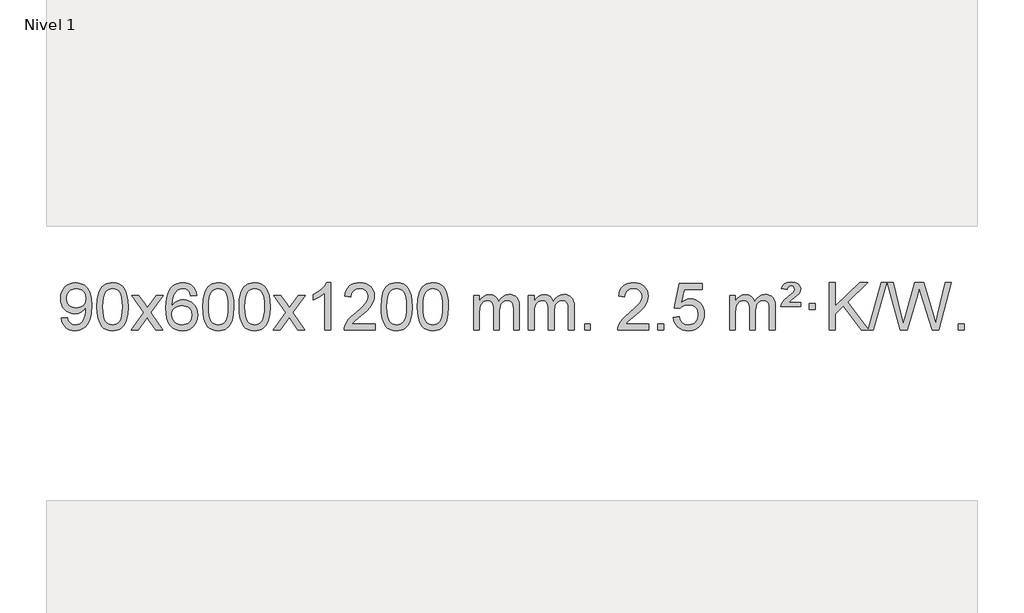
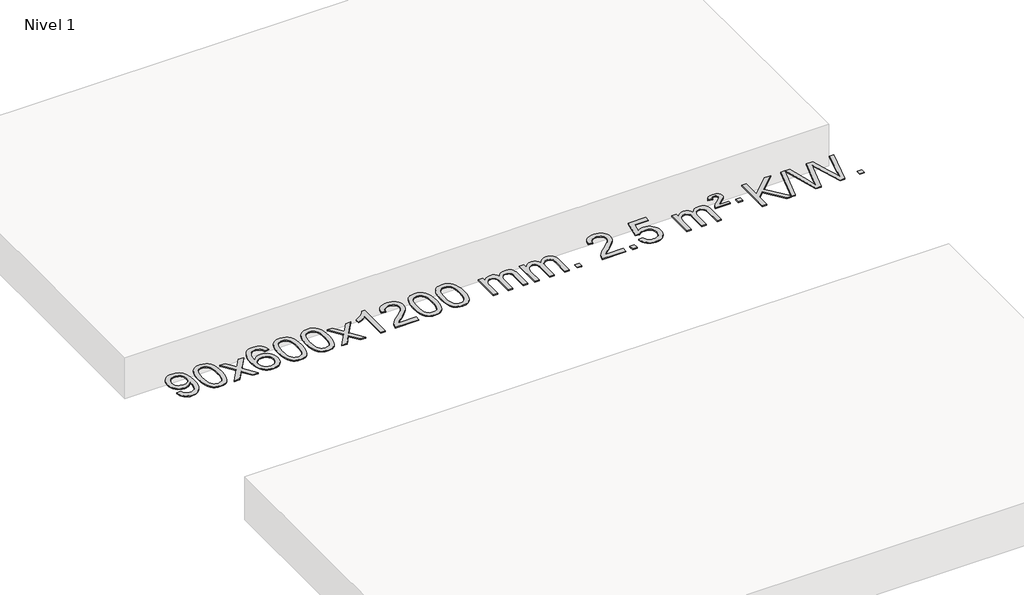
# One storey, part 9 of 10: 1 proxy.
"""IFC4 building model written with IfcOpenShell, lengths in millimetres."""

from ifc_helpers import new_model, si_unit, origin, origin_with_axes, place, context, project, spatial, polyline, outline, extrude, element, save

model = new_model("IFC4")

# Units and contexts
model_context = context("Model", 3, world=origin())
ifc_project = project(units=[si_unit("LENGTHUNIT", "METRE", prefix="MILLI")], contexts=[model_context])

# Site, building, storey
site = spatial("IfcSite", under=ifc_project)
building = spatial("IfcBuilding", under=site)
storey = spatial("IfcBuildingStorey", under=building, Name="Nivel 1", Elevation=0.0)

# Proxy
placement = place(None, origin())
element("IfcBuildingElementProxy", 1, Name="Texto de modelo 1", ObjectType="Texto de modelo 1", at=placement, inside=storey, context=model_context, shape_type="SweptSolid", body=[
    extrude(outline(polyline([(-19532.1075308, -6006.6050657), (-19481.8793757, -6000.3265463), (-19473.2954625, -6028.8374009), (-19459.3159467, -6048.2493075), (-19440.2841848, -6059.396132), (-19416.5435333, -6063.1117401), (-19395.2431658, -6060.7205071), (-19375.8803101, -6053.5468082), (-19359.7916042, -6042.3754583), (-19348.313686, -6027.9912723), (-19331.8816235, -5984.3359422), (-19326.43697, -5955.9354522), (-19324.6220855, -5926.0634342), (-19324.9163911, -5916.2532476), (-19342.3172095, -5937.4923015), (-19365.089105, -5954.3167714), (-19391.5888713, -5965.2796549), (-19420.1733024, -5968.9339493), (-19444.0335154, -5966.7021319), (-19465.9746108, -5960.0066796), (-19485.9965884, -5948.8475924), (-19504.0994482, -5933.2248703), (-19519.0998366, -5913.9539852), (-19529.8143997, -5891.8504086), (-19536.2431375, -5866.9141407), (-19538.3860502, -5839.1451814), (-19536.1389043, -5810.4503858), (-19529.3974667, -5784.6986462), (-19518.1617375, -5761.8899625), (-19502.4317165, -5742.0243347), (-19483.3171812, -5725.9294974), (-19461.9279088, -5714.4331851), (-19438.2638995, -5707.5353977), (-19412.3251531, -5705.2361352), (-19374.8625033, -5710.484585), (-19340.7598423, -5726.2299344), (-19312.236725, -5751.6873685), (-19291.5127059, -5786.0720723), (-19278.8943535, -5833.6024261), (-19274.688236, -5898.49681), (-19278.8820908, -5967.3030058), (-19291.463655, -6020.4864796), (-19312.3225641, -6060.450727), (-19325.8146363, -6076.3769517), (-19341.3484535, -6089.5992438), (-19358.6113162, -6099.9857788), (-19377.2905245, -6107.4047323), (-19418.8979781, -6113.3398952), (-19441.4552758, -6111.58939), (-19461.8420697, -6106.3378745), (-19480.0583598, -6097.5853487), (-19496.1041462, -6085.3318126), (-19509.5747586, -6069.90836), (-19520.0655268, -6051.6460846), (-19527.5764509, -6030.5449865), (-19532.1075308, -6006.6050657)]), holes=[polyline([(-19324.9163911, -5837.9679591), (-19330.3365191, -5803.9266118), (-19337.1116792, -5789.8489941), (-19346.5969033, -5777.7334137), (-19358.3262076, -5767.9906722), (-19371.8336082, -5761.0315711), (-19404.1826983, -5755.4642903), (-19421.7919831, -5756.9634094), (-19437.7335363, -5761.4607668), (-19452.0073577, -5768.9563625), (-19464.6134474, -5779.4501964), (-19474.9141432, -5792.3291319), (-19482.2717832, -5806.9800323), (-19486.6863671, -5823.4028977), (-19488.1578951, -5841.5977281), (-19482.5906142, -5872.6347057), (-19475.6315131, -5885.7527646), (-19465.8887716, -5897.2705367), (-19453.7670599, -5906.6484619), (-19439.6710481, -5913.3469799), (-19405.5561244, -5918.7057943), (-19373.4645517, -5913.3469799), (-19347.6269729, -5897.2705367), (-19337.6910934, -5885.525904), (-19330.5940365, -5871.7272635), (-19324.9163911, -5837.9679591)])]), origin_with_axes(), (0.0, 0.0, 1.0), 10.0),
    extrude(outline(polyline([(-19230.7386003, -5909.3861171), (-19227.0475176, -5845.0680816), (-19215.9742696, -5793.7730687), (-19197.6292208, -5754.7162636), (-19185.7711578, -5739.4828833), (-19172.1227358, -5727.1128512), (-19156.6379694, -5717.5417879), (-19139.2708736, -5710.7053142), (-19098.8896932, -5705.2361352), (-19067.9385547, -5708.4734968), (-19040.2247777, -5718.1855814), (-19017.0482121, -5733.9922445), (-18999.7087073, -5755.5133412), (-18986.6121083, -5782.5649306), (-18976.1642597, -5814.9630716), (-18969.3216545, -5856.1045414), (-18967.0407862, -5909.3861171), (-18970.6950807, -5973.3362706), (-18981.6579641, -6024.5086561), (-18999.8926483, -6063.6022494), (-19011.7231202, -6078.881615), (-19025.3623451, -6091.3160264), (-19040.8655056, -6100.951469), (-19058.2877837, -6107.833928), (-19098.8896932, -6113.3398952), (-19126.5544193, -6110.9486622), (-19151.0798856, -6103.7749633), (-19172.4660923, -6091.8187985), (-19190.7130392, -6075.0801677), (-19208.2242222, -6044.8218736), (-19220.73221, -6007.1201004), (-19228.2370028, -5961.9748483), (-19230.7386003, -5909.3861171)]), holes=[polyline([(-19180.5104452, -5909.2880152), (-19179.0389173, -5952.9525423), (-19174.6243333, -5988.296805), (-19167.2666934, -6015.3208033), (-19156.9659976, -6034.024537), (-19144.5070606, -6046.7501884), (-19130.6746976, -6055.8399393), (-19115.4689085, -6061.2937899), (-19098.8896932, -6063.1117401), (-19082.310478, -6061.2876586), (-19067.1046889, -6055.8154139), (-19053.2723258, -6046.6950061), (-19040.8133889, -6033.9264352), (-19030.5126931, -6015.1920446), (-19023.1550532, -5988.1741777), (-19018.7404692, -5952.8728346), (-19017.2689412, -5909.2880152), (-19018.6914183, -5866.7792507), (-19022.9588494, -5832.0573217), (-19030.0712347, -5805.1222283), (-19040.028574, -5785.9739704), (-19052.2790445, -5772.6259854), (-19066.270823, -5763.0917103), (-19082.0039097, -5757.3711453), (-19099.4783044, -5755.4642903), (-19115.9716806, -5757.1442847), (-19130.9199523, -5762.1842681), (-19144.3231197, -5770.5842403), (-19156.1811826, -5782.3442014), (-19166.825235, -5803.1908478), (-19174.4281296, -5831.2970322), (-19178.9898663, -5866.6627547), (-19180.5104452, -5909.2880152)])]), origin_with_axes(), (0.0, 0.0, 1.0), 10.0),
    extrude(outline(polyline([(-18941.9267086, -6107.0613758), (-18834.6032679, -5958.7313553), (-18935.6481893, -5811.9709647), (-18875.2174402, -5811.9709647), (-18826.4608131, -5882.6043078), (-18803.7011803, -5915.958942), (-18783.9827054, -5888.6866235), (-18728.4570496, -5811.9709647), (-18668.0263005, -5811.9709647), (-18774.1725188, -5958.7313553), (-18671.9503751, -6107.0613758), (-18732.3811242, -6107.0613758), (-18793.8909938, -6017.8867802), (-18805.1727083, -6001.6018705), (-18881.4959596, -6107.0613758), (-18941.9267086, -6107.0613758)])), origin_with_axes(), (0.0, 0.0, 1.0), 10.0),
    extrude(outline(polyline([(-18383.1384834, -5811.9709647), (-18433.3666385, -5818.2494841), (-18441.4600424, -5793.3561358), (-18452.3984004, -5776.3599876), (-18475.1825586, -5760.6882146), (-18502.7246573, -5755.4642903), (-18526.0729013, -5758.5054481), (-18548.0477191, -5767.6289216), (-18566.9200655, -5786.8446245), (-18582.3343211, -5813.2953399), (-18592.7453815, -5850.7089388), (-18596.6081425, -5902.8132921), (-18576.4604719, -5879.3056326), (-18552.3151503, -5862.7386801), (-18525.5210783, -5852.9162308), (-18497.4271566, -5849.642081), (-18473.2940977, -5851.8800298), (-18451.0249743, -5858.5938763), (-18430.6197863, -5869.7836203), (-18412.0785337, -5885.4492619), (-18396.6704095, -5904.6588334), (-18385.6646065, -5926.4803671), (-18379.0611247, -5950.9138629), (-18376.859964, -5977.959321), (-18381.0047679, -6013.9259174), (-18393.4391793, -6047.2682889), (-18413.1331288, -6075.5461515), (-18439.0565467, -6096.3192215), (-18470.0322107, -6109.0847268), (-18504.8828984, -6113.3398952), (-18534.8254271, -6110.5194666), (-18561.8678194, -6102.0581807), (-18586.0100754, -6087.9560375), (-18607.2521949, -6068.2130371), (-18624.5702398, -6041.9953136), (-18636.9402719, -6008.4690011), (-18644.3622912, -5967.6340996), (-18646.8362976, -5919.4906092), (-18644.0894453, -5865.5161891), (-18635.8488887, -5819.451232), (-18622.1146275, -5781.2957377), (-18602.8866619, -5751.0497063), (-18582.0461469, -5731.006269), (-18557.8824311, -5716.689528), (-18530.3955147, -5708.0994834), (-18499.5853976, -5705.2361352), (-18476.4517515, -5707.0081001), (-18455.5131346, -5712.323995), (-18436.769547, -5721.1838197), (-18420.2209885, -5733.5875743), (-18406.3150491, -5749.1183259), (-18395.4993185, -5767.3591415), (-18387.7737966, -5788.3100211), (-18383.1384834, -5811.9709647)]), holes=[polyline([(-18596.6081425, -5977.174506), (-18593.7018747, -5999.4313667), (-18584.9830715, -6020.6826833), (-18571.445014, -6038.9541558), (-18554.0809839, -6052.271484), (-18533.1239729, -6060.4016761), (-18508.806973, -6063.1117401), (-18475.6608052, -6057.4954083), (-18461.7456687, -6050.4749936), (-18449.6024972, -6040.6464129), (-18439.7524568, -6028.4082052), (-18432.7167136, -6014.1589093), (-18427.0881191, -5979.6270527), (-18432.6431372, -5946.4808849), (-18439.5869099, -5932.860054), (-18449.3081916, -5921.2073918), (-18461.4881514, -5911.8723862), (-18475.807958, -5905.204525), (-18510.8671122, -5899.8702361), (-18543.964229, -5905.204525), (-18571.6412178, -5921.2073918), (-18582.5642473, -5932.7067699), (-18590.3664113, -5945.8677482), (-18595.0477097, -5960.690327), (-18596.6081425, -5977.174506)])]), origin_with_axes(), (0.0, 0.0, 1.0), 10.0),
    extrude(outline(polyline([(-18332.9103284, -5909.3861171), (-18329.2192457, -5845.0680816), (-18318.1459976, -5793.7730687), (-18299.8009488, -5754.7162636), (-18287.9428858, -5739.4828833), (-18274.2944638, -5727.1128512), (-18258.8096975, -5717.5417879), (-18241.4426016, -5710.7053142), (-18201.0614213, -5705.2361352), (-18170.1102828, -5708.4734968), (-18142.3965058, -5718.1855814), (-18119.2199401, -5733.9922445), (-18101.8804354, -5755.5133412), (-18088.7838364, -5782.5649306), (-18078.3359877, -5814.9630716), (-18071.4933826, -5856.1045414), (-18069.2125142, -5909.3861171), (-18072.8668087, -5973.3362706), (-18083.8296922, -6024.5086561), (-18102.0643764, -6063.6022494), (-18113.8948482, -6078.881615), (-18127.5340732, -6091.3160264), (-18143.0372336, -6100.951469), (-18160.4595117, -6107.833928), (-18201.0614213, -6113.3398952), (-18228.7261473, -6110.9486622), (-18253.2516137, -6103.7749633), (-18274.6378203, -6091.8187985), (-18292.8847673, -6075.0801677), (-18310.3959503, -6044.8218736), (-18322.9039381, -6007.1201004), (-18330.4087308, -5961.9748483), (-18332.9103284, -5909.3861171)]), holes=[polyline([(-18282.6821733, -5909.2880152), (-18281.2106453, -5952.9525423), (-18276.7960614, -5988.296805), (-18269.4384215, -6015.3208033), (-18259.1377256, -6034.024537), (-18246.6787887, -6046.7501884), (-18232.8464257, -6055.8399393), (-18217.6406365, -6061.2937899), (-18201.0614213, -6063.1117401), (-18184.482206, -6061.2876586), (-18169.2764169, -6055.8154139), (-18155.4440539, -6046.6950061), (-18142.985117, -6033.9264352), (-18132.6844211, -6015.1920446), (-18125.3267812, -5988.1741777), (-18120.9121973, -5952.8728346), (-18119.4406693, -5909.2880152), (-18120.8631463, -5866.7792507), (-18125.1305775, -5832.0573217), (-18132.2429627, -5805.1222283), (-18142.2003021, -5785.9739704), (-18154.4507725, -5772.6259854), (-18168.442551, -5763.0917103), (-18184.1756377, -5757.3711453), (-18201.6500325, -5755.4642903), (-18218.1434086, -5757.1442847), (-18233.0916803, -5762.1842681), (-18246.4948477, -5770.5842403), (-18258.3529107, -5782.3442014), (-18268.9969631, -5803.1908478), (-18276.5998576, -5831.2970322), (-18281.1615944, -5866.6627547), (-18282.6821733, -5909.2880152)])]), origin_with_axes(), (0.0, 0.0, 1.0), 10.0),
    extrude(outline(polyline([(-18025.2628785, -5909.3861171), (-18021.5717958, -5845.0680816), (-18010.4985478, -5793.7730687), (-17992.153499, -5754.7162636), (-17980.295436, -5739.4828833), (-17966.647014, -5727.1128512), (-17951.1622476, -5717.5417879), (-17933.7951518, -5710.7053142), (-17893.4139715, -5705.2361352), (-17862.4628329, -5708.4734968), (-17834.749056, -5718.1855814), (-17811.5724903, -5733.9922445), (-17794.2329856, -5755.5133412), (-17781.1363865, -5782.5649306), (-17770.6885379, -5814.9630716), (-17763.8459327, -5856.1045414), (-17761.5650644, -5909.3861171), (-17765.2193589, -5973.3362706), (-17776.1822423, -6024.5086561), (-17794.4169265, -6063.6022494), (-17806.2473984, -6078.881615), (-17819.8866233, -6091.3160264), (-17835.3897838, -6100.951469), (-17852.8120619, -6107.833928), (-17893.4139715, -6113.3398952), (-17921.0786975, -6110.9486622), (-17945.6041638, -6103.7749633), (-17966.9903705, -6091.8187985), (-17985.2373174, -6075.0801677), (-18002.7485004, -6044.8218736), (-18015.2564883, -6007.1201004), (-18022.761281, -5961.9748483), (-18025.2628785, -5909.3861171)]), holes=[polyline([(-17975.0347234, -5909.2880152), (-17973.5631955, -5952.9525423), (-17969.1486115, -5988.296805), (-17961.7909716, -6015.3208033), (-17951.4902758, -6034.024537), (-17939.0313389, -6046.7501884), (-17925.1989758, -6055.8399393), (-17909.9931867, -6061.2937899), (-17893.4139715, -6063.1117401), (-17876.8347562, -6061.2876586), (-17861.6289671, -6055.8154139), (-17847.796604, -6046.6950061), (-17835.3376671, -6033.9264352), (-17825.0369713, -6015.1920446), (-17817.6793314, -5988.1741777), (-17813.2647474, -5952.8728346), (-17811.7932195, -5909.2880152), (-17813.2156965, -5866.7792507), (-17817.4831276, -5832.0573217), (-17824.5955129, -5805.1222283), (-17834.5528522, -5785.9739704), (-17846.8033227, -5772.6259854), (-17860.7951012, -5763.0917103), (-17876.5281879, -5757.3711453), (-17894.0025826, -5755.4642903), (-17910.4959588, -5757.1442847), (-17925.4442305, -5762.1842681), (-17938.8473979, -5770.5842403), (-17950.7054608, -5782.3442014), (-17961.3495132, -5803.1908478), (-17968.9524078, -5831.2970322), (-17973.5141445, -5866.6627547), (-17975.0347234, -5909.2880152)])]), origin_with_axes(), (0.0, 0.0, 1.0), 10.0),
    extrude(outline(polyline([(-17736.4509868, -6107.0613758), (-17629.1275461, -5958.7313553), (-17730.1724675, -5811.9709647), (-17669.7417184, -5811.9709647), (-17620.9850913, -5882.6043078), (-17598.2254585, -5915.958942), (-17578.5069836, -5888.6866235), (-17522.9813278, -5811.9709647), (-17462.5505787, -5811.9709647), (-17568.696797, -5958.7313553), (-17466.4746533, -6107.0613758), (-17526.9054024, -6107.0613758), (-17588.415272, -6017.8867802), (-17599.6969865, -6001.6018705), (-17676.0202378, -6107.0613758), (-17736.4509868, -6107.0613758)])), origin_with_axes(), (0.0, 0.0, 1.0), 10.0),
    extrude(outline(polyline([(-17246.7264749, -6107.0613758), (-17296.9546299, -6107.0613758), (-17296.9546299, -5793.9202215), (-17317.9239037, -5810.8795815), (-17344.5340346, -5827.814416), (-17397.4109401, -5853.1737482), (-17397.4109401, -5805.6924454), (-17357.9617275, -5784.2326623), (-17323.7854901, -5758.7016518), (-17296.8442653, -5731.5519606), (-17279.1000904, -5705.2361352), (-17246.7264749, -5705.2361352), (-17246.7264749, -6107.0613758)])), origin_with_axes(), (0.0, 0.0, 1.0), 10.0),
    extrude(outline(polyline([(-16870.0153118, -6056.8332207), (-16870.0153118, -6107.0613758), (-17133.7131259, -6107.0613758), (-17132.60948, -6089.3785146), (-17128.3175233, -6072.4314173), (-17115.9321628, -6045.3675652), (-17097.8078432, -6019.1130535), (-17071.5901197, -5991.6322684), (-17034.9245475, -5960.8895964), (-16980.7232669, -5912.746106), (-16948.2024985, -5877.2087052), (-16931.9421143, -5848.3667568), (-16926.5219863, -5820.3096233), (-16931.635546, -5795.1587576), (-16946.9762252, -5774.2507975), (-16970.5574611, -5760.1609171), (-17000.3926909, -5755.4642903), (-17031.7239741, -5760.0505525), (-17056.0654995, -5773.8093391), (-17071.7740607, -5795.6615296), (-17077.2064515, -5824.5280035), (-17127.4346066, -5818.2494841), (-17123.1150588, -5792.3199348), (-17115.2577125, -5769.6645353), (-17103.8625677, -5750.2832855), (-17088.9296244, -5734.1761855), (-17070.8022391, -5721.5149135), (-17049.8237683, -5712.4711478), (-17025.9942121, -5707.0448883), (-16999.3135704, -5705.2361352), (-16972.3938054, -5707.2472234), (-16948.4354904, -5713.2804882), (-16927.4386256, -5723.3359294), (-16909.4032108, -5737.413547), (-16894.9178572, -5754.4710089), (-16884.5711761, -5773.4659826), (-16878.3631674, -5794.3984681), (-16876.2938312, -5817.2684655), (-16878.5256486, -5841.2911598), (-16885.2211009, -5864.8969211), (-16897.1036894, -5888.9073527), (-16914.8969152, -5914.1440575), (-16943.260617, -5944.2735929), (-16986.8546335, -5982.9625161), (-17044.6366322, -6031.2776848), (-17067.2981631, -6056.8332207), (-16870.0153118, -6056.8332207)])), origin_with_axes(), (0.0, 0.0, 1.0), 10.0),
    extrude(outline(polyline([(-16819.7871567, -5909.3861171), (-16816.096074, -5845.0680816), (-16805.022826, -5793.7730687), (-16786.6777772, -5754.7162636), (-16774.8197142, -5739.4828833), (-16761.1712922, -5727.1128512), (-16745.6865258, -5717.5417879), (-16728.31943, -5710.7053142), (-16687.9382497, -5705.2361352), (-16656.9871111, -5708.4734968), (-16629.2733342, -5718.1855814), (-16606.0967685, -5733.9922445), (-16588.7572638, -5755.5133412), (-16575.6606647, -5782.5649306), (-16565.2128161, -5814.9630716), (-16558.370211, -5856.1045414), (-16556.0893426, -5909.3861171), (-16559.7436371, -5973.3362706), (-16570.7065205, -6024.5086561), (-16588.9412048, -6063.6022494), (-16600.7716766, -6078.881615), (-16614.4109016, -6091.3160264), (-16629.914062, -6100.951469), (-16647.3363401, -6107.833928), (-16687.9382497, -6113.3398952), (-16715.6029757, -6110.9486622), (-16740.128442, -6103.7749633), (-16761.5146487, -6091.8187985), (-16779.7615957, -6075.0801677), (-16797.2727786, -6044.8218736), (-16809.7807665, -6007.1201004), (-16817.2855592, -5961.9748483), (-16819.7871567, -5909.3861171)]), holes=[polyline([(-16769.5590017, -5909.2880152), (-16768.0874737, -5952.9525423), (-16763.6728897, -5988.296805), (-16756.3152498, -6015.3208033), (-16746.014554, -6034.024537), (-16733.5556171, -6046.7501884), (-16719.723254, -6055.8399393), (-16704.5174649, -6061.2937899), (-16687.9382497, -6063.1117401), (-16671.3590344, -6061.2876586), (-16656.1532453, -6055.8154139), (-16642.3208823, -6046.6950061), (-16629.8619454, -6033.9264352), (-16619.5612495, -6015.1920446), (-16612.2036096, -5988.1741777), (-16607.7890256, -5952.8728346), (-16606.3174977, -5909.2880152), (-16607.7399747, -5866.7792507), (-16612.0074059, -5832.0573217), (-16619.1197911, -5805.1222283), (-16629.0771304, -5785.9739704), (-16641.3276009, -5772.6259854), (-16655.3193794, -5763.0917103), (-16671.0524661, -5757.3711453), (-16688.5268608, -5755.4642903), (-16705.020237, -5757.1442847), (-16719.9685087, -5762.1842681), (-16733.3716761, -5770.5842403), (-16745.229739, -5782.3442014), (-16755.8737914, -5803.1908478), (-16763.476686, -5831.2970322), (-16768.0384227, -5866.6627547), (-16769.5590017, -5909.2880152)])]), origin_with_axes(), (0.0, 0.0, 1.0), 10.0),
    extrude(outline(polyline([(-16512.1397069, -5909.3861171), (-16508.4486242, -5845.0680816), (-16497.3753762, -5793.7730687), (-16479.0303273, -5754.7162636), (-16467.1722644, -5739.4828833), (-16453.5238423, -5727.1128512), (-16438.039076, -5717.5417879), (-16420.6719802, -5710.7053142), (-16380.2907998, -5705.2361352), (-16349.3396613, -5708.4734968), (-16321.6258843, -5718.1855814), (-16298.4493186, -5733.9922445), (-16281.1098139, -5755.5133412), (-16268.0132149, -5782.5649306), (-16257.5653662, -5814.9630716), (-16250.7227611, -5856.1045414), (-16248.4418928, -5909.3861171), (-16252.0961872, -5973.3362706), (-16263.0590707, -6024.5086561), (-16281.2937549, -6063.6022494), (-16293.1242267, -6078.881615), (-16306.7634517, -6091.3160264), (-16322.2666121, -6100.951469), (-16339.6888903, -6107.833928), (-16380.2907998, -6113.3398952), (-16407.9555259, -6110.9486622), (-16432.4809922, -6103.7749633), (-16453.8671989, -6091.8187985), (-16472.1141458, -6075.0801677), (-16489.6253288, -6044.8218736), (-16502.1333166, -6007.1201004), (-16509.6381093, -5961.9748483), (-16512.1397069, -5909.3861171)]), holes=[polyline([(-16461.9115518, -5909.2880152), (-16460.4400238, -5952.9525423), (-16456.0254399, -5988.296805), (-16448.6678, -6015.3208033), (-16438.3671041, -6034.024537), (-16425.9081672, -6046.7501884), (-16412.0758042, -6055.8399393), (-16396.8700151, -6061.2937899), (-16380.2907998, -6063.1117401), (-16363.7115846, -6061.2876586), (-16348.5057954, -6055.8154139), (-16334.6734324, -6046.6950061), (-16322.2144955, -6033.9264352), (-16311.9137997, -6015.1920446), (-16304.5561597, -5988.1741777), (-16300.1415758, -5952.8728346), (-16298.6700478, -5909.2880152), (-16300.0925249, -5866.7792507), (-16304.359956, -5832.0573217), (-16311.4723413, -5805.1222283), (-16321.4296806, -5785.9739704), (-16333.680151, -5772.6259854), (-16347.6719296, -5763.0917103), (-16363.4050162, -5757.3711453), (-16380.879411, -5755.4642903), (-16397.3727871, -5757.1442847), (-16412.3210589, -5762.1842681), (-16425.7242262, -5770.5842403), (-16437.5822892, -5782.3442014), (-16448.2263416, -5803.1908478), (-16455.8292362, -5831.2970322), (-16460.3909729, -5866.6627547), (-16461.9115518, -5909.2880152)])]), origin_with_axes(), (0.0, 0.0, 1.0), 10.0),
    extrude(outline(polyline([(-16034.9722337, -6107.0613758), (-16034.9722337, -5811.9709647), (-15984.7440786, -5811.9709647), (-15984.7440786, -5860.5313881), (-15969.6363913, -5838.2254765), (-15950.212222, -5820.7510817), (-15927.1337582, -5809.4571044), (-15901.0631874, -5805.6924454), (-15873.1286813, -5809.5306808), (-15850.7369305, -5821.0453873), (-15834.0105625, -5839.4762752), (-15823.0722045, -5864.0630553), (-15804.7639438, -5838.5259134), (-15783.8805092, -5820.2850978), (-15760.4219007, -5809.3406085), (-15734.3881182, -5805.6924454), (-15714.2803014, -5807.2099586), (-15696.6311627, -5811.7624983), (-15681.440702, -5819.3500644), (-15668.7089193, -5829.972657), (-15658.644281, -5843.7529034), (-15651.4552537, -5860.813431), (-15647.1418373, -5881.1542396), (-15645.7040319, -5904.7753294), (-15645.7040319, -6107.0613758), (-15695.9321869, -6107.0613758), (-15695.9321869, -5926.3577398), (-15697.0971466, -5901.3049759), (-15700.5920255, -5884.4191923), (-15707.140325, -5872.8554349), (-15717.4655464, -5863.7687497), (-15730.7460864, -5857.8826377), (-15746.160342, -5855.9206004), (-15773.3713469, -5860.948321), (-15795.5546312, -5876.0314828), (-15804.1600042, -5887.6013716), (-15810.3066992, -5902.2001554), (-15815.2240552, -5940.4844084), (-15815.2240552, -6107.0613758), (-15865.4522103, -6107.0613758), (-15865.4522103, -5920.7659334), (-15868.3584781, -5892.3654434), (-15877.0772814, -5872.1074082), (-15892.4179606, -5859.9673024), (-15915.1898561, -5855.9206004), (-15934.540449, -5858.6184017), (-15952.370463, -5866.7118056), (-15967.0857428, -5880.0046084), (-15977.0921331, -5898.3006063), (-15982.8310922, -5923.6844639), (-15984.7440786, -5958.240846), (-15984.7440786, -6107.0613758), (-16034.9722337, -6107.0613758)])), origin_with_axes(), (0.0, 0.0, 1.0), 10.0),
    extrude(outline(polyline([(-15570.3617992, -6107.0613758), (-15570.3617992, -5811.9709647), (-15520.1336442, -5811.9709647), (-15520.1336442, -5860.5313881), (-15505.0259569, -5838.2254765), (-15485.6017876, -5820.7510817), (-15462.5233237, -5809.4571044), (-15436.452753, -5805.6924454), (-15408.5182468, -5809.5306808), (-15386.1264961, -5821.0453873), (-15369.400128, -5839.4762752), (-15358.46177, -5864.0630553), (-15340.1535094, -5838.5259134), (-15319.2700748, -5820.2850978), (-15295.8114662, -5809.3406085), (-15269.7776837, -5805.6924454), (-15249.669867, -5807.2099586), (-15232.0207283, -5811.7624983), (-15216.8302676, -5819.3500644), (-15204.0984848, -5829.972657), (-15194.0338466, -5843.7529034), (-15186.8448193, -5860.813431), (-15182.5314029, -5881.1542396), (-15181.0935974, -5904.7753294), (-15181.0935974, -6107.0613758), (-15231.3217525, -6107.0613758), (-15231.3217525, -5926.3577398), (-15232.4867121, -5901.3049759), (-15235.9815911, -5884.4191923), (-15242.5298906, -5872.8554349), (-15252.8551119, -5863.7687497), (-15266.135652, -5857.8826377), (-15281.5499076, -5855.9206004), (-15308.7609125, -5860.948321), (-15330.9441968, -5876.0314828), (-15339.5495698, -5887.6013716), (-15345.6962648, -5902.2001554), (-15350.6136208, -5940.4844084), (-15350.6136208, -6107.0613758), (-15400.8417759, -6107.0613758), (-15400.8417759, -5920.7659334), (-15403.7480436, -5892.3654434), (-15412.4668469, -5872.1074082), (-15427.8075261, -5859.9673024), (-15450.5794216, -5855.9206004), (-15469.9300146, -5858.6184017), (-15487.7600286, -5866.7118056), (-15502.4753084, -5880.0046084), (-15512.4816987, -5898.3006063), (-15518.2206578, -5923.6844639), (-15520.1336442, -5958.240846), (-15520.1336442, -6107.0613758), (-15570.3617992, -6107.0613758)])), origin_with_axes(), (0.0, 0.0, 1.0), 10.0),
    extrude(outline(polyline([(-15093.194326, -6107.0613758), (-15093.194326, -6056.8332207), (-15042.966171, -6056.8332207), (-15042.966171, -6107.0613758), (-15093.194326, -6107.0613758)])), origin_with_axes(), (0.0, 0.0, 1.0), 10.0),
    extrude(outline(polyline([(-14546.9631396, -6056.8332207), (-14546.9631396, -6107.0613758), (-14810.6609537, -6107.0613758), (-14809.5573077, -6089.3785146), (-14805.2653511, -6072.4314173), (-14792.8799906, -6045.3675652), (-14774.755671, -6019.1130535), (-14748.5379475, -5991.6322684), (-14711.8723753, -5960.8895964), (-14657.6710947, -5912.746106), (-14625.1503263, -5877.2087052), (-14608.8899421, -5848.3667568), (-14603.4698141, -5820.3096233), (-14608.5833738, -5795.1587576), (-14623.924053, -5774.2507975), (-14647.5052889, -5760.1609171), (-14677.3405187, -5755.4642903), (-14708.6718019, -5760.0505525), (-14733.0133273, -5773.8093391), (-14748.7218885, -5795.6615296), (-14754.1542793, -5824.5280035), (-14804.3824344, -5818.2494841), (-14800.0628866, -5792.3199348), (-14792.2055403, -5769.6645353), (-14780.8103955, -5750.2832855), (-14765.8774522, -5734.1761855), (-14747.7500669, -5721.5149135), (-14726.7715961, -5712.4711478), (-14702.9420399, -5707.0448883), (-14676.2613982, -5705.2361352), (-14649.3416332, -5707.2472234), (-14625.3833182, -5713.2804882), (-14604.3864534, -5723.3359294), (-14586.3510385, -5737.413547), (-14571.865685, -5754.4710089), (-14561.5190039, -5773.4659826), (-14555.3109952, -5794.3984681), (-14553.241659, -5817.2684655), (-14555.4734764, -5841.2911598), (-14562.1689287, -5864.8969211), (-14574.0515172, -5888.9073527), (-14591.844743, -5914.1440575), (-14620.2084448, -5944.2735929), (-14663.8024613, -5982.9625161), (-14721.58446, -6031.2776848), (-14744.2459909, -6056.8332207), (-14546.9631396, -6056.8332207)])), origin_with_axes(), (0.0, 0.0, 1.0), 10.0),
    extrude(outline(polyline([(-14471.620907, -6107.0613758), (-14471.620907, -6056.8332207), (-14421.3927519, -6056.8332207), (-14421.3927519, -6107.0613758), (-14471.620907, -6107.0613758)])), origin_with_axes(), (0.0, 0.0, 1.0), 10.0),
    extrude(outline(polyline([(-14339.7719999, -6000.3265463), (-14289.5438448, -5994.0480269), (-14280.3222695, -6024.2020878), (-14264.2335636, -6045.7967609), (-14241.3513035, -6058.7829953), (-14211.7490656, -6063.1117401), (-14192.6192018, -6061.6064896), (-14175.745681, -6057.0907381), (-14161.1285031, -6049.5644856), (-14148.767668, -6039.0277322), (-14138.9390874, -6026.0016438), (-14131.9186726, -6011.0073869), (-14126.3023408, -5975.1143669), (-14131.5630534, -5941.3182742), (-14138.138944, -5927.4000721), (-14147.345191, -5915.4684327), (-14159.212451, -5905.8973695), (-14173.771381, -5899.0608957), (-14210.9642507, -5893.5917167), (-14235.3303015, -5895.7744832), (-14255.0610392, -5902.3227828), (-14270.8186513, -5912.3536985), (-14283.2653254, -5924.9843137), (-14333.4934805, -5918.7057943), (-14289.5438448, -5711.5146546), (-14094.9097439, -5711.5146546), (-14094.9097439, -5761.7428097), (-14248.9296726, -5761.7428097), (-14270.4139811, -5872.4017138), (-14252.6882003, -5859.6975222), (-14234.5332238, -5850.6230997), (-14215.9490517, -5845.1784462), (-14196.9356839, -5843.3635617), (-14172.4745969, -5845.6137732), (-14150.0062041, -5852.3644078), (-14129.5305053, -5863.6154655), (-14111.0475008, -5879.3669463), (-14095.7466755, -5898.6562255), (-14084.8175145, -5920.5206788), (-14078.260018, -5944.960306), (-14076.0741858, -5971.9751072), (-14078.0423544, -5997.996627), (-14083.9468605, -6022.2032622), (-14093.7877038, -6044.595013), (-14107.5648846, -6065.1718793), (-14128.4360564, -6086.2453862), (-14152.7898445, -6101.2978912), (-14180.6262488, -6110.3293942), (-14211.9452693, -6113.3398952), (-14237.8656216, -6111.405449), (-14261.2782449, -6105.6021106), (-14282.1831392, -6095.9298798), (-14300.5803047, -6082.3887567), (-14315.8872614, -6065.6531916), (-14327.5215295, -6046.3976348), (-14335.483109, -6024.6220864), (-14339.7719999, -6000.3265463)])), origin_with_axes(), (0.0, 0.0, 1.0), 10.0),
    extrude(outline(polyline([(-13862.6045267, -6107.0613758), (-13862.6045267, -5811.9709647), (-13812.3763716, -5811.9709647), (-13812.3763716, -5860.5313881), (-13797.2686844, -5838.2254765), (-13777.844515, -5820.7510817), (-13754.7660512, -5809.4571044), (-13728.6954805, -5805.6924454), (-13700.7609743, -5809.5306808), (-13678.3692235, -5821.0453873), (-13661.6428555, -5839.4762752), (-13650.7044975, -5864.0630553), (-13632.3962368, -5838.5259134), (-13611.5128023, -5820.2850978), (-13588.0541937, -5809.3406085), (-13562.0204112, -5805.6924454), (-13541.9125945, -5807.2099586), (-13524.2634557, -5811.7624983), (-13509.072995, -5819.3500644), (-13496.3412123, -5829.972657), (-13486.276574, -5843.7529034), (-13479.0875467, -5860.813431), (-13474.7741303, -5881.1542396), (-13473.3363249, -5904.7753294), (-13473.3363249, -6107.0613758), (-13523.5644799, -6107.0613758), (-13523.5644799, -5926.3577398), (-13524.7294396, -5901.3049759), (-13528.2243185, -5884.4191923), (-13534.7726181, -5872.8554349), (-13545.0978394, -5863.7687497), (-13558.3783794, -5857.8826377), (-13573.792635, -5855.9206004), (-13601.0036399, -5860.948321), (-13623.1869242, -5876.0314828), (-13631.7922972, -5887.6013716), (-13637.9389922, -5902.2001554), (-13642.8563482, -5940.4844084), (-13642.8563482, -6107.0613758), (-13693.0845033, -6107.0613758), (-13693.0845033, -5920.7659334), (-13695.9907711, -5892.3654434), (-13704.7095744, -5872.1074082), (-13720.0502536, -5859.9673024), (-13742.8221491, -5855.9206004), (-13762.172742, -5858.6184017), (-13780.002756, -5866.7118056), (-13794.7180359, -5880.0046084), (-13804.7244261, -5898.3006063), (-13810.4633852, -5923.6844639), (-13812.3763716, -5958.240846), (-13812.3763716, -6107.0613758), (-13862.6045267, -6107.0613758)])), origin_with_axes(), (0.0, 0.0, 1.0), 10.0),
    extrude(outline(polyline([(-13429.3866892, -5906.1487555), (-13425.5607164, -5890.3298297), (-13417.2220579, -5874.461853), (-13395.7132239, -5849.32325), (-13363.7565412, -5821.5849475), (-13319.6107018, -5784.2081368), (-13312.4737911, -5772.6811677), (-13310.0948209, -5760.8598929), (-13311.9832818, -5748.768838), (-13317.6486645, -5738.9831769), (-13327.0173927, -5732.5084538), (-13340.0158898, -5730.3502127), (-13352.4503013, -5731.9688935), (-13361.3039946, -5736.8249359), (-13367.7296668, -5746.2917659), (-13372.8800147, -5761.7428097), (-13423.1081698, -5755.4642903), (-13412.2679137, -5730.2521109), (-13395.6396475, -5712.691877), (-13371.8744706, -5702.3911811), (-13339.6234824, -5698.9576158), (-13303.840827, -5703.0901569), (-13279.0946314, -5715.4877801), (-13264.6736572, -5733.8205662), (-13259.8666658, -5755.7585959), (-13263.9624187, -5778.6653814), (-13276.2496773, -5800.2968428), (-13296.7774926, -5820.1134196), (-13333.2468611, -5848.1705531), (-13358.851448, -5874.7561586), (-13259.8666658, -5874.7561586), (-13259.8666658, -5906.1487555), (-13429.3866892, -5906.1487555)])), origin_with_axes(), (0.0, 0.0, 1.0), 10.0),
    extrude(outline(polyline([(-13184.5244332, -5931.262833), (-13184.5244332, -5881.034678), (-13134.2962781, -5881.034678), (-13134.2962781, -5931.262833), (-13184.5244332, -5931.262833)])), origin_with_axes(), (0.0, 0.0, 1.0), 10.0),
    extrude(outline(polyline([(-12743.6546502, -6107.0613758), (-12897.0859676, -5904.3829219), (-12964.7762547, -5968.9339493), (-12964.7762547, -6107.0613758), (-13015.0044098, -6107.0613758), (-13015.0044098, -5705.2361352), (-12964.7762547, -5705.2361352), (-12964.7762547, -5901.9303753), (-12758.7623374, -5705.2361352), (-12688.5214018, -5705.2361352), (-12861.4749905, -5870.4396765), (-12686.8213806, -6101.016856), (-12575.5080529, -5705.2361352), (-12530.1849911, -5705.2361352), (-12643.19834, -6107.0613758), (-12682.2428824, -6107.0613758), (-12688.5214018, -6107.0613758), (-12743.6546502, -6107.0613758)])), origin_with_axes(), (0.0, 0.0, 1.0), 10.0),
    extrude(outline(polyline([(-12415.7001142, -6107.0613758), (-12525.2798978, -5705.2361352), (-12473.4821129, -5705.2361352), (-12409.9121041, -5969.3263568), (-12390.2917311, -6050.8490069), (-12369.2979319, -5978.7441359), (-12289.6392172, -5705.2361352), (-12214.9836976, -5705.2361352), (-12157.1035971, -5903.5000051), (-12132.3083506, -5977.0764042), (-12114.0368782, -6050.8490069), (-12095.0051163, -5971.6808016), (-12030.8464963, -5705.2361352), (-11979.0487114, -5705.2361352), (-12088.7265969, -6107.0613758), (-12142.3883173, -6107.0613758), (-12238.7243491, -5797.0594812), (-12252.1643046, -5753.7965586), (-12267.2719919, -5805.8886491), (-12355.0731614, -6107.0613758), (-12415.7001142, -6107.0613758)])), origin_with_axes(), (0.0, 0.0, 1.0), 10.0),
    extrude(outline(polyline([(-11922.5420369, -6107.0613758), (-11922.5420369, -6056.8332207), (-11872.3138819, -6056.8332207), (-11872.3138819, -6107.0613758), (-11922.5420369, -6107.0613758)])), origin_with_axes(), (0.0, 0.0, 1.0), 10.0),
])

save(model, "model.ifc")
